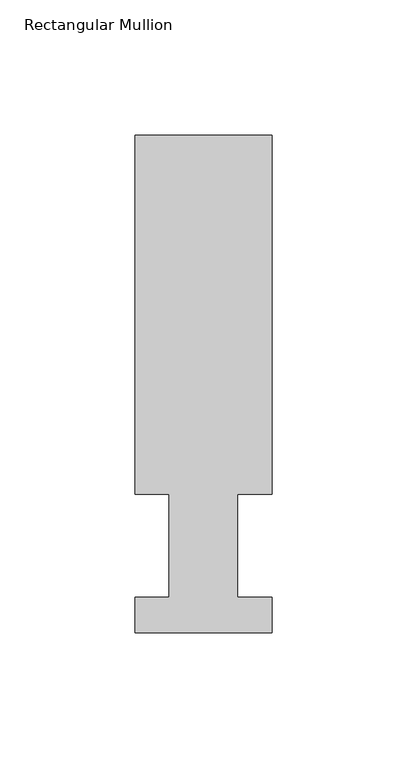
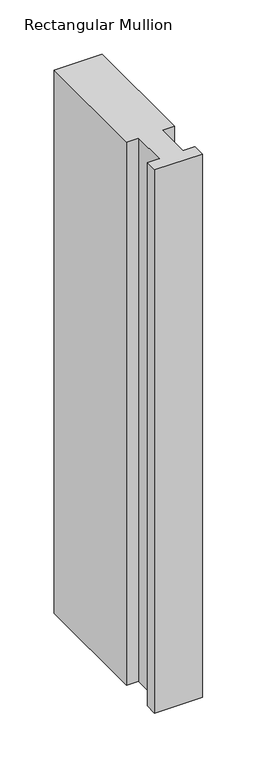
"""IFC4 building model written with IfcOpenShell, lengths in millimetres: member geometry, Rectangular Mullion."""

import ifcopenshell
import ifcopenshell.guid

model = None  # the IFC model being written
_history = None  # IfcOwnerHistory: only IFC2X3 demands one
_inside = {}  # id of a spatial element -> (the spatial element, [elements in it])
_under = {}  # id of a project, library or spatial element -> (it, [spatial elements below it])
_declared = {}  # id of a project -> (the project, [libraries it declares])
_typed = {}  # id of a type object -> (the type object, [elements of that type])
_made_of = {}  # id of a material, layer set ... -> (it, [elements and type objects made of it])


def new_model(schema):
    """Start an empty IFC model of exactly this schema.

    Asked for "IFC4X3", IfcOpenShell would pick the latest addendum, in which some entities
    have other attributes; the version numbers below select the first issue.
    IFC2X3 requires an IfcOwnerHistory on every rooted entity: one is made here for all.
    """
    global model, _history
    if schema == "IFC4X3":
        model = ifcopenshell.file(schema_version=(4, 3, 0, 0))
    else:
        model = ifcopenshell.file(schema=schema)
    _inside.clear()
    _under.clear()
    _declared.clear()
    _typed.clear()
    _made_of.clear()
    _history = None
    if model.schema == "IFC2X3":
        org = make("IfcOrganization", Name="unknown")
        user = make(
            "IfcPersonAndOrganization",
            ThePerson=make("IfcPerson", FamilyName="unknown"),
            TheOrganization=org,
        )
        app = make(
            "IfcApplication",
            ApplicationDeveloper=org,
            Version="unknown",
            ApplicationFullName="unknown",
            ApplicationIdentifier="unknown",
        )
        _history = make(
            "IfcOwnerHistory",
            OwningUser=user,
            OwningApplication=app,
            ChangeAction="ADDED",
            CreationDate=0,
        )
    return model


def make(cls, **values):
    """One entity of the class cls with the attributes given. An attribute that is None is left unset."""
    return model.create_entity(
        cls, **{name: value for name, value in values.items() if value is not None}
    )


def rooted(cls, **values):
    """An entity with a GlobalId (a new one), such as an element, a storey or a relation."""
    return make(cls, GlobalId=ifcopenshell.guid.new(), OwnerHistory=_history, **values)


def si_unit(unit_type, name, prefix=None):
    """IfcSIUnit, for example si_unit("LENGTHUNIT", "METRE", prefix="MILLI")."""
    return make("IfcSIUnit", UnitType=unit_type, Prefix=prefix, Name=name)


def assignment(units):
    """IfcUnitAssignment: the units of a project."""
    return None if units is None else make("IfcUnitAssignment", Units=units)


def point(xyz):
    """IfcCartesianPoint."""
    return None if xyz is None else make("IfcCartesianPoint", Coordinates=xyz)


def direction(xyz):
    """IfcDirection."""
    return None if xyz is None else make("IfcDirection", DirectionRatios=xyz)


def frame(location, z_axis=None, x_axis=None):
    """IfcAxis2Placement3D, a coordinate frame: its origin and axes. An axis left out is left unset."""
    return make(
        "IfcAxis2Placement3D",
        Location=point(location),
        Axis=direction(z_axis),
        RefDirection=direction(x_axis),
    )


def origin():
    """The frame at (0, 0, 0) with its axes left unset."""
    return frame((0.0, 0.0, 0.0))


def place(relative_to, where):
    """IfcLocalPlacement: puts the frame where relative to a parent placement (None: the world)."""
    return make(
        "IfcLocalPlacement", PlacementRelTo=relative_to, RelativePlacement=where
    )


def context(
    kind, dimensions, precision=None, world=None, true_north=None, identifier=None
):
    """IfcGeometricRepresentationContext, for example the 3D "Model" context."""
    return make(
        "IfcGeometricRepresentationContext",
        ContextIdentifier=identifier,
        ContextType=kind,
        CoordinateSpaceDimension=dimensions,
        Precision=precision,
        WorldCoordinateSystem=world,
        TrueNorth=true_north,
    )


def project(units=None, contexts=None):
    """IfcProject with its units and contexts."""
    return rooted(
        "IfcProject",
        Name="project",
        RepresentationContexts=contexts,
        UnitsInContext=assignment(units),
    )


def spatial(cls, under=None, at=None, **own):
    """A site, building, storey or space (cls), placed at a placement, below another one or the project."""
    s = rooted(cls, ObjectPlacement=at, **own)
    if under is not None:
        _under.setdefault(under.id(), (under, []))[1].append(s)
    return s


def polyline(points):
    """IfcPolyline through the points."""
    return make("IfcPolyline", Points=[point(p) for p in points])


def outline(outer, holes=None, kind="AREA"):
    """IfcArbitraryClosedProfileDef: a profile drawn as a closed curve; with holes, ...WithVoids."""
    if holes is None:
        return make("IfcArbitraryClosedProfileDef", ProfileType=kind, OuterCurve=outer)
    return make(
        "IfcArbitraryProfileDefWithVoids",
        ProfileType=kind,
        OuterCurve=outer,
        InnerCurves=holes,
    )


def extrude(swept, where, along, depth):
    """IfcExtrudedAreaSolid: the profile swept, set in the frame where, extruded along a direction by depth."""
    return make(
        "IfcExtrudedAreaSolid",
        SweptArea=swept,
        Position=where,
        ExtrudedDirection=direction(along),
        Depth=depth,
    )


def shape(context_of_items, identifier, shape_type, items):
    """IfcShapeRepresentation: the items that make up one representation, for example the "Body"."""
    return make(
        "IfcShapeRepresentation",
        ContextOfItems=context_of_items,
        RepresentationIdentifier=identifier,
        RepresentationType=shape_type,
        Items=items,
    )


def source(mapping_origin, context_of_items, identifier, shape_type, items):
    """IfcRepresentationMap: a shape defined once, which mapped items show again and again."""
    return make(
        "IfcRepresentationMap",
        MappingOrigin=mapping_origin,
        MappedRepresentation=shape(context_of_items, identifier, shape_type, items),
    )


def transform(
    local_origin,
    x_axis=None,
    y_axis=None,
    z_axis=None,
    scale=None,
    scale2=None,
    scale3=None,
    uniform=True,
):
    """IfcCartesianTransformationOperator3D, or its non-uniform kind. x_axis, y_axis, z_axis: its Axis1, 2, 3."""
    if uniform:
        return make(
            "IfcCartesianTransformationOperator3D",
            Axis1=direction(x_axis),
            Axis2=direction(y_axis),
            LocalOrigin=point(local_origin),
            Scale=scale,
            Axis3=direction(z_axis),
        )
    return make(
        "IfcCartesianTransformationOperator3DnonUniform",
        Axis1=direction(x_axis),
        Axis2=direction(y_axis),
        LocalOrigin=point(local_origin),
        Scale=scale,
        Axis3=direction(z_axis),
        Scale2=scale2,
        Scale3=scale3,
    )


def mapped(mapping_source, mapping_target):
    """IfcMappedItem: shows the shape of a source again, moved by a transform."""
    return make(
        "IfcMappedItem", MappingSource=mapping_source, MappingTarget=mapping_target
    )


def made_of(thing, what):
    """Note that an element or type object is made of a material, layer set ...; save() writes the relation."""
    if what is not None:
        _made_of.setdefault(what.id(), (what, []))[1].append(thing)
    return thing


def element(
    cls,
    number,
    at=None,
    inside=None,
    cuts=None,
    type_object=None,
    material=None,
    context=None,
    identifier="Body",
    shape_type=None,
    held_by="IfcProductDefinitionShape",
    body=None,
    shapes=None,
    **own,
):
    """One element of the class cls, such as IfcWall. Its Tag is "e" and its number.

    at: its placement. inside: the storey or other place that contains it. cuts: it is an
    opening in that element (IfcRelVoidsElement). A single representation is given by context,
    identifier, shape_type and body (its items); several are given by shapes. held_by: the class
    of the entity that holds the representations. save() writes the other relations.
    """
    e = rooted(cls, Tag="e%d" % number, ObjectPlacement=at, **own)
    if body is not None:
        shapes = [shape(context, identifier, shape_type, body)]
    if shapes is not None:
        e.Representation = make(held_by, Representations=shapes)
    if inside is not None:
        _inside.setdefault(inside.id(), (inside, []))[1].append(e)
    if cuts is not None:
        rooted(
            "IfcRelVoidsElement", RelatingBuildingElement=cuts, RelatedOpeningElement=e
        )
    if type_object is not None:
        _typed.setdefault(type_object.id(), (type_object, []))[1].append(e)
    return made_of(e, material)


def aggregate(whole, parts):
    """IfcRelAggregates: a whole, such as a stair, and the parts it consists of."""
    return rooted("IfcRelAggregates", RelatingObject=whole, RelatedObjects=parts)


def save(model, path):
    """Write the relations noted so far, then the file.

    IfcRelAggregates (storeys below a building ...), IfcRelContainedInSpatialStructure (elements
    in a storey), IfcRelDefinesByType, IfcRelAssociatesMaterial and IfcRelDeclares: one each for
    every whole, place, type object, material and project.
    """
    for whole, parts in _under.values():
        aggregate(whole, parts)
    for where, things in _inside.values():
        rooted(
            "IfcRelContainedInSpatialStructure",
            RelatedElements=things,
            RelatingStructure=where,
        )
    for kind, things in _typed.values():
        rooted("IfcRelDefinesByType", RelatedObjects=things, RelatingType=kind)
    for what, things in _made_of.values():
        rooted("IfcRelAssociatesMaterial", RelatedObjects=things, RelatingMaterial=what)
    for by, libraries in _declared.values():
        rooted("IfcRelDeclares", RelatingContext=by, RelatedDefinitions=libraries)
    model.write(path)


def rectangular_mullion_bd55ec98(model_context):
    return source(origin(), model_context, "Body", "SweptSolid", [
        extrude(outline(polyline([(-50.8, 13.1960937), (-38.1, 13.1960937), (-38.1, 51.2960938), (-50.8, 51.2960937), (-50.8, 184.2396937), (0.0, 184.2396937), (0.0, 51.2960938), (-12.7, 51.2960937), (-12.7, 13.1960937), (0.0, 13.1960937), (0.0, 0.0134937), (-50.8, 0.0134937), (-50.8, 13.1960937)])), frame((0.0, 0.0, -609.6), z_axis=(0.0, 0.0, 1.0), x_axis=(1.0, 0.0, 0.0)), (0.0, 0.0, 1.0), 609.6),
    ])


if __name__ == "__main__":
    model = new_model("IFC4")
    model_context = context("Model", 3, world=origin())
    ifc_project = project(units=[si_unit("LENGTHUNIT", "METRE", prefix="MILLI")], contexts=[model_context])
    site = spatial("IfcSite", under=ifc_project)
    building = spatial("IfcBuilding", under=site)
    placement = place(None, origin())
    rectangular_mullion_shape = rectangular_mullion_bd55ec98(model_context)
    element("IfcMember", 1, ObjectType="Rectangular Mullion", at=placement, inside=building, context=model_context, shape_type="MappedRepresentation", body=[
        mapped(rectangular_mullion_shape, transform((0.0, 0.0, 0.0), x_axis=(1.0, 0.0, 0.0), y_axis=(0.0, 1.0, 0.0), z_axis=(0.0, 0.0, 1.0))),
    ])
    save(model, "model.ifc")
